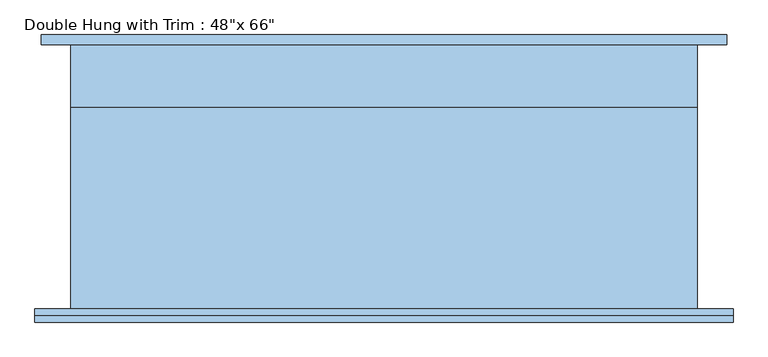
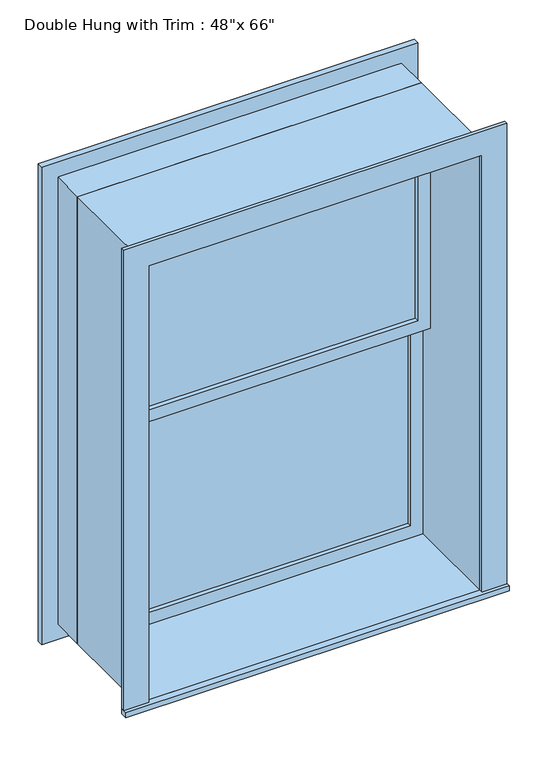
"""IFC4 building model written with IfcOpenShell, lengths in millimetres: window geometry."""

from ifc_helpers import new_model, si_unit, frame, origin, place, context, project, spatial, polyline, outline, extrude, source, transform, mapped, element, save


def window_f0cd342a(model_context):
    return source(origin(), model_context, "Body", "SweptSolid", [
        extrude(outline(polyline([(-546.1, 107.625), (-546.1, 120.325), (546.1, 120.325), (546.1, 107.625), (-546.1, 107.625)])), frame((0.0, 0.0, 368.3), z_axis=(0.0, 0.0, 1.0), x_axis=(1.0, 0.0, 0.0)), (0.0, 0.0, 1.0), 752.475),
        extrude(outline(polyline([(1165.225, -590.55), (323.85, -590.55), (323.85, 590.55), (1165.225, 590.55), (1165.225, -590.55)]), holes=[polyline([(1120.775, -546.1), (1120.775, 546.1), (368.3, 546.1), (368.3, -546.1), (1120.775, -546.1)])]), frame((0.0, 91.75, 0.0), z_axis=(0.0, 1.0, 0.0), x_axis=(0.0, 0.0, 1.0)), (0.0, 0.0, 1.0), 44.45),
        extrude(outline(polyline([(-679.45, -282.9), (-679.45, -257.5), (679.45, -257.5), (679.45, -282.9), (-679.45, -282.9)])), frame((0.0, 0.0, 304.8), z_axis=(0.0, 0.0, 1.0), x_axis=(1.0, 0.0, 0.0)), (0.0, 0.0, 1.0), 19.05),
        extrude(outline(polyline([(1962.15, -590.55), (1962.15, 590.55), (323.85, 590.55), (323.85, 679.45), (2051.05, 679.45), (2051.05, -679.45), (323.85, -679.45), (323.85, -590.55), (1962.15, -590.55)])), frame((0.0, -270.2, 0.0), z_axis=(0.0, 1.0, 0.0), x_axis=(0.0, 0.0, 1.0)), (0.0, 0.0, 1.0), 12.7),
        extrude(outline(polyline([(2038.35, 666.75), (2038.35, -666.75), (247.65, -666.75), (247.65, 666.75), (2038.35, 666.75)]), holes=[polyline([(1949.45, 577.85), (336.55, 577.85), (336.55, -577.85), (1949.45, -577.85), (1949.45, 577.85)])]), frame((0.0, 257.5, 0.0), z_axis=(0.0, 1.0, 0.0), x_axis=(0.0, 0.0, 1.0)), (0.0, 0.0, 1.0), 19.05),
        extrude(outline(polyline([(546.1, 75.875), (546.1, 63.175), (-546.1, 63.175), (-546.1, 75.875), (546.1, 75.875)])), frame((0.0, 0.0, 1165.225), z_axis=(0.0, 0.0, 1.0), x_axis=(1.0, 0.0, 0.0)), (0.0, 0.0, 1.0), 752.475),
        extrude(outline(polyline([(1962.15, -590.55), (1120.775, -590.55), (1120.775, 590.55), (1962.15, 590.55), (1962.15, -590.55)]), holes=[polyline([(1917.7, -546.1), (1917.7, 546.1), (1165.225, 546.1), (1165.225, -546.1), (1917.7, -546.1)])]), frame((0.0, 47.3, 0.0), z_axis=(0.0, 1.0, 0.0), x_axis=(0.0, 0.0, 1.0)), (0.0, 0.0, 1.0), 44.45),
        extrude(outline(polyline([(1981.2, -609.6), (304.8, -609.6), (304.8, 609.6), (1981.2, 609.6), (1981.2, -609.6)]), holes=[polyline([(1949.45, -577.85), (1949.45, 577.85), (336.55, 577.85), (336.55, -577.85), (1949.45, -577.85)])]), frame((0.0, 136.2, 0.0), z_axis=(0.0, 1.0, 0.0), x_axis=(0.0, 0.0, 1.0)), (0.0, 0.0, 1.0), 121.3),
        extrude(outline(polyline([(1981.2, 609.6), (1981.2, -609.6), (304.8, -609.6), (304.8, 609.6), (1981.2, 609.6)]), holes=[polyline([(1962.15, 590.55), (323.85, 590.55), (323.85, -590.55), (1962.15, -590.55), (1962.15, 590.55)])]), frame((0.0, -257.5, 0.0), z_axis=(0.0, 1.0, 0.0), x_axis=(0.0, 0.0, 1.0)), (0.0, 0.0, 1.0), 393.7),
    ])


if __name__ == "__main__":
    model = new_model("IFC4")
    model_context = context("Model", 3, world=origin())
    ifc_project = project(units=[si_unit("LENGTHUNIT", "METRE", prefix="MILLI")], contexts=[model_context])
    site = spatial("IfcSite", under=ifc_project)
    building = spatial("IfcBuilding", under=site)
    placement = place(None, origin())
    window_shape = window_f0cd342a(model_context)
    element("IfcWindow", 1, ObjectType="Double Hung with Trim : 48\"x 66\"", at=placement, inside=building, context=model_context, shape_type="MappedRepresentation", body=[
        mapped(window_shape, transform((0.0, 0.0, 0.0), x_axis=(1.0, 0.0, 0.0), y_axis=(0.0, 1.0, 0.0), z_axis=(0.0, 0.0, 1.0))),
    ])
    save(model, "model.ifc")
